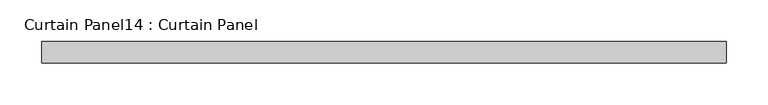
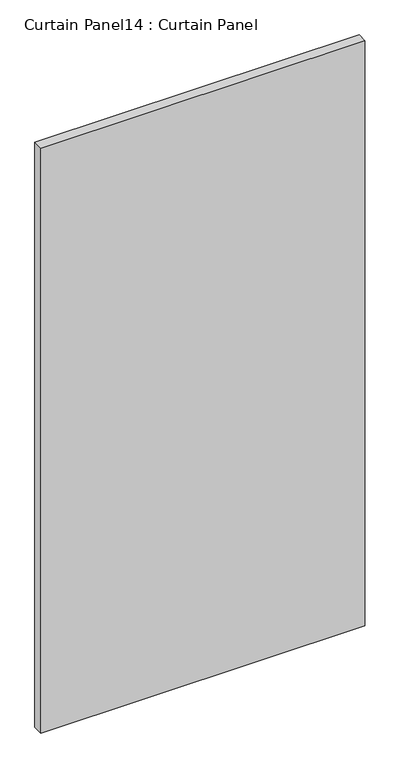
"""IFC4 building model written with IfcOpenShell, lengths in millimetres: plate geometry, Curtain Panel14 : Curtain Panel."""

from ifc_helpers import new_model, si_unit, frame, origin, place, context, project, spatial, polyline, outline, extrude, source, transform, mapped, element, save


def curtain_panel14_curtain_panel_d67bd9ff(model_context):
    return source(origin(), model_context, "Body", "SweptSolid", [
        extrude(outline(polyline([(-44638.7388068, -2018.7883286), (-45454.3132597, -2018.7883286), (-45454.3132597, -1993.3883286), (-44638.7388068, -1993.3883286), (-44638.7388068, -2018.7883286)])), frame((0.0, 0.0, 78.5948547), z_axis=(0.0, 0.0, 1.0), x_axis=(1.0, 0.0, 0.0)), (0.0, 0.0, 1.0), 1556.4858874),
    ])


if __name__ == "__main__":
    model = new_model("IFC4")
    model_context = context("Model", 3, world=origin())
    ifc_project = project(units=[si_unit("LENGTHUNIT", "METRE", prefix="MILLI")], contexts=[model_context])
    site = spatial("IfcSite", under=ifc_project)
    building = spatial("IfcBuilding", under=site)
    placement = place(None, origin())
    curtain_panel14_curtain_panel_shape = curtain_panel14_curtain_panel_d67bd9ff(model_context)
    element("IfcPlate", 1, ObjectType="Curtain Panel14 : Curtain Panel", at=placement, inside=building, context=model_context, shape_type="MappedRepresentation", body=[
        mapped(curtain_panel14_curtain_panel_shape, transform((0.0, 0.0, 0.0), x_axis=(1.0, 0.0, 0.0), y_axis=(0.0, 1.0, 0.0), z_axis=(0.0, 0.0, 1.0))),
    ])
    save(model, "model.ifc")
